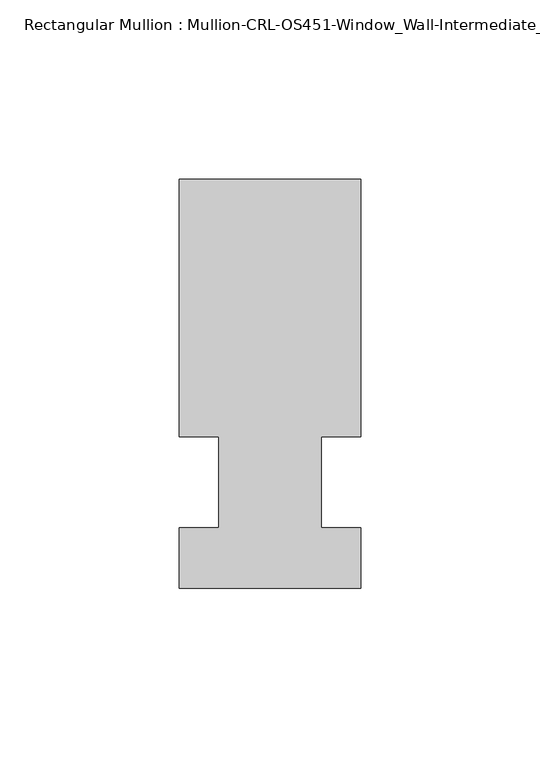
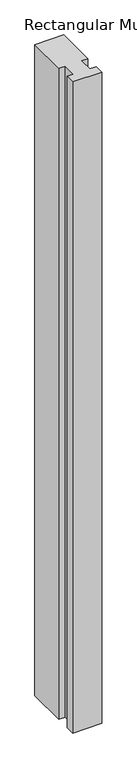
"""IFC4 building model written with IfcOpenShell, lengths in millimetres: member geometry, Rectangular Mullion : Mullion-CRL-OS451-Window_Wall-Intermediate_Horizontal-int."""

from ifc_helpers import new_model, si_unit, frame, origin, place, context, project, spatial, polyline, outline, extrude, source, transform, mapped, element, save


def rectangular_mullion_mullion_crl_os451_window_wall_91c17585(model_context):
    return source(origin(), model_context, "Body", "SweptSolid", [
        extrude(outline(polyline([(-25.4, -12.7), (-14.2786274, -12.7), (-14.2786274, 12.7), (-25.4, 12.7), (-25.4, 84.7104821), (25.4, 84.7104821), (25.4, 12.7), (14.3002899, 12.7), (14.3002899, -12.7), (25.4, -12.7), (25.4, -29.6013756), (-25.4, -29.6013756), (-25.4, -12.7)])), frame((0.0, 0.0, -1204.3833332), z_axis=(0.0, 0.0, 1.0), x_axis=(1.0, 0.0, 0.0)), (0.0, 0.0, 1.0), 1204.3833332),
    ])


if __name__ == "__main__":
    model = new_model("IFC4")
    model_context = context("Model", 3, world=origin())
    ifc_project = project(units=[si_unit("LENGTHUNIT", "METRE", prefix="MILLI")], contexts=[model_context])
    site = spatial("IfcSite", under=ifc_project)
    building = spatial("IfcBuilding", under=site)
    placement = place(None, origin())
    rectangular_mullion_mullion_crl_os451_window_wall_shape = rectangular_mullion_mullion_crl_os451_window_wall_91c17585(model_context)
    element("IfcMember", 1, ObjectType="Rectangular Mullion : Mullion-CRL-OS451-Window_Wall-Intermediate_Horizontal-int", at=placement, inside=building, context=model_context, shape_type="MappedRepresentation", body=[
        mapped(rectangular_mullion_mullion_crl_os451_window_wall_shape, transform((0.0, 0.0, 0.0), x_axis=(1.0, 0.0, 0.0), y_axis=(0.0, 1.0, 0.0), z_axis=(0.0, 0.0, 1.0))),
    ])
    save(model, "model.ifc")
